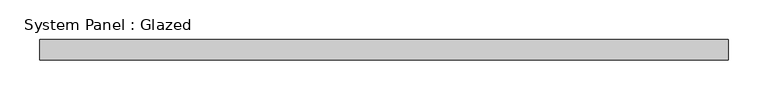
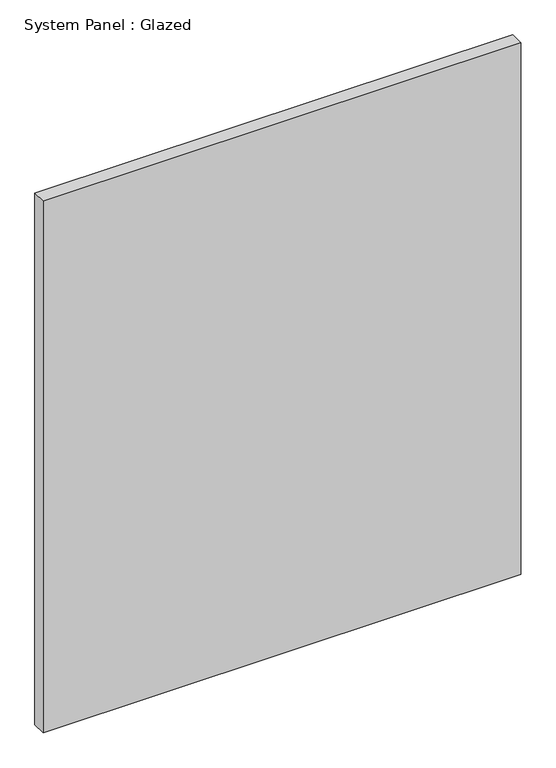
"""IFC4 building model written with IfcOpenShell, lengths in millimetres: plate geometry, System Panel : Glazed."""

from ifc_helpers import new_model, si_unit, origin, origin_with_axes, place, context, project, spatial, polyline, outline, extrude, source, transform, mapped, element, save


def system_panel_glazed_909b3e3a(model_context):
    return source(origin(), model_context, "Body", "SweptSolid", [
        extrude(outline(polyline([(431.8, -12.7), (-431.8, -12.7), (-431.8, 12.7), (431.8, 12.7), (431.8, -12.7)])), origin_with_axes(), (0.0, 0.0, 1.0), 1016.0),
    ])


if __name__ == "__main__":
    model = new_model("IFC4")
    model_context = context("Model", 3, world=origin())
    ifc_project = project(units=[si_unit("LENGTHUNIT", "METRE", prefix="MILLI")], contexts=[model_context])
    site = spatial("IfcSite", under=ifc_project)
    building = spatial("IfcBuilding", under=site)
    placement = place(None, origin())
    system_panel_glazed_shape = system_panel_glazed_909b3e3a(model_context)
    element("IfcPlate", 1, ObjectType="System Panel : Glazed", at=placement, inside=building, context=model_context, shape_type="MappedRepresentation", body=[
        mapped(system_panel_glazed_shape, transform((0.0, 0.0, 0.0), x_axis=(1.0, 0.0, 0.0), y_axis=(0.0, 1.0, 0.0), z_axis=(0.0, 0.0, 1.0))),
    ])
    save(model, "model.ifc")
